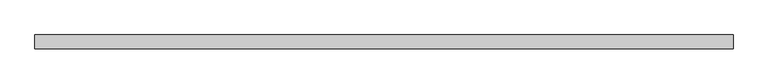
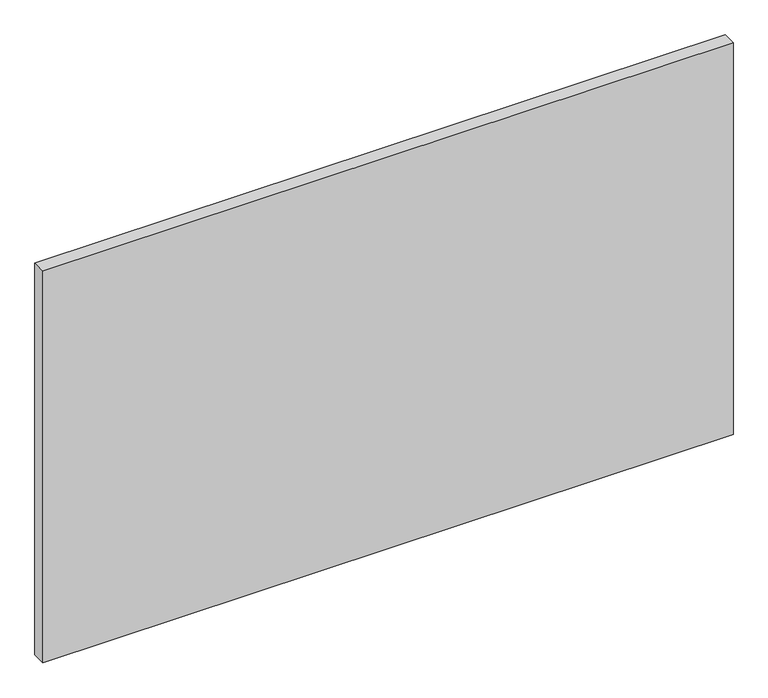
"""IFC4 building model written with IfcOpenShell, lengths in millimetres: proxy geometry."""

from ifc_helpers import new_model, si_unit, origin, origin_with_axes, place, context, project, spatial, polyline, outline, extrude, source, transform, mapped, element, save


def generic_models_afa8b8cd(model_context):
    return source(origin(), model_context, "Body", "SweptSolid", [
        extrude(outline(polyline([(0.0, 100.0), (0.0, 0.0), (-5000.0, 0.0), (-5000.0, 100.0), (0.0, 100.0)])), origin_with_axes(), (0.0, 0.0, 1.0), 3000.0),
    ])


if __name__ == "__main__":
    model = new_model("IFC4")
    model_context = context("Model", 3, world=origin())
    ifc_project = project(units=[si_unit("LENGTHUNIT", "METRE", prefix="MILLI")], contexts=[model_context])
    site = spatial("IfcSite", under=ifc_project)
    building = spatial("IfcBuilding", under=site)
    placement = place(None, origin())
    generic_models_shape = generic_models_afa8b8cd(model_context)
    element("IfcBuildingElementProxy", 1, Name="Generic Models", at=placement, inside=building, context=model_context, shape_type="MappedRepresentation", body=[
        mapped(generic_models_shape, transform((0.0, 0.0, 0.0), x_axis=(1.0, 0.0, 0.0), y_axis=(0.0, 1.0, 0.0), z_axis=(0.0, 0.0, 1.0))),
    ])
    save(model, "model.ifc")
